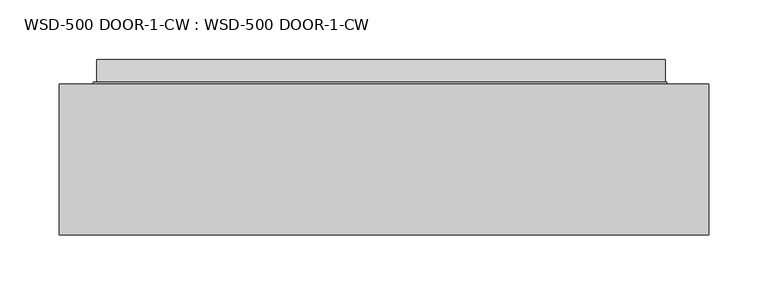
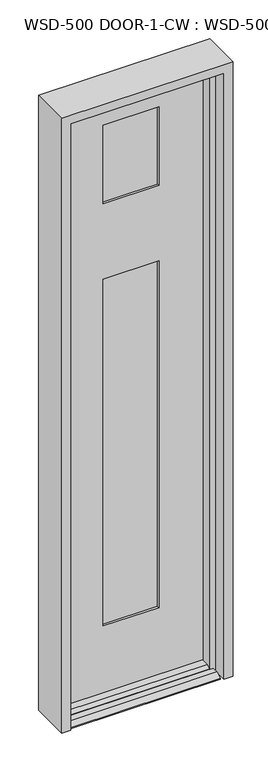
"""IFC4 building model written with IfcOpenShell, lengths in millimetres: plate geometry, WSD-500 DOOR-1-CW : WSD-500 DOOR-1-CW."""

from ifc_helpers import new_model, si_unit, frame, origin, place, context, project, spatial, polyline, outline, extrude, faceted_brep, source, transform, mapped, element, save


def wsd_500_door_1_cw_wsd_500_door_1_cw_fc38fa90(model_context):
    return source(origin(), model_context, "Body", "SolidModel", [
        faceted_brep([(236.6563901, 1.8752528, 0.0), (238.0603327, 1.8752528, 0.0), (236.6563901, -20.6651106, 0.0), (236.6563901, -121.9497472, 0.0), (-241.7064, -121.9497472, 0.0), (-241.7064, -42.5747472, 0.0), (-244.475, 1.8752528, 0.0), (-241.7064, 1.8752528, 0.0), (-241.7064, 20.9252528, 0.0), (236.6563901, 20.9252528, 0.0), (236.6563901, -35.1325472, 226.2251), (236.6563901, -35.1325472, 246.0625), (236.6563901, -42.5747472, 246.0625), (236.6563901, -42.5747472, 21.4376), (236.6563901, -68.4446472, 21.4376), (236.6563901, -80.8652472, 14.2748), (236.6563901, -80.8652472, 12.7), (236.6563901, -102.8997472, 12.7), (236.6563901, -121.9497472, 3.175), (236.6563901, -20.6651106, 226.2251), (236.6563901, 20.9252528, 3.175), (236.6563901, 1.8752528, 12.7), (-241.7064, 1.8752528, 12.7), (-241.7064, 20.9252528, 3.175), (-241.7064, -121.9497472, 3.175), (-241.7064, -102.8997472, 12.7), (-241.7064, -80.8652472, 12.7), (-241.7064, -80.8652472, 14.2748), (-241.7064, -68.4446472, 21.4376), (-241.7064, -42.5747472, 21.4376), (238.0603327, 1.8752528, 2034.2980546), (-244.475, 1.8752528, 2034.2980546), (-92.075, 1.8752528, 1413.65605), (-92.075, 1.8752528, 246.0625), (85.6603327, 1.8752528, 246.0625), (85.6603327, 1.8752528, 1413.65605), (85.6603327, 1.8752528, 1932.6980546), (-92.075, 1.8752528, 1932.6980546), (-92.075, 1.8752528, 1667.65605), (85.6603327, 1.8752528, 1667.65605), (85.6603327, -9.7325472, 1932.6980546), (-92.075, -9.7325472, 1932.6980546), (105.4977327, -9.7325472, 1433.50615), (-111.9124, -9.7325472, 1433.50615), (-111.9124, -9.7325472, 226.2251), (105.4977327, -9.7325472, 226.2251), (-92.075, -9.7325472, 1413.65605), (85.6603327, -9.7325472, 1413.65605), (85.6603327, -9.7325472, 246.0625), (-92.075, -9.7325472, 246.0625), (105.4977327, -9.7325472, 1952.61865), (-111.9124, -9.7325472, 1952.61865), (-111.9124, -9.7325472, 1647.81865), (105.4977327, -9.7325472, 1647.81865), (85.6603327, -9.7325472, 1667.65605), (-92.075, -9.7325472, 1667.65605), (105.4977327, -35.1325472, 1952.61865), (-111.9124, -35.1325472, 1952.61865), (235.7552755, -35.1325472, 226.2251), (235.7552755, -35.1325472, 246.0625), (105.4977327, -35.1325472, 1647.81865), (-111.9124, -35.1325472, 1647.81865), (85.6603327, -35.1325472, 1932.6980546), (-92.075, -35.1325472, 1932.6980546), (-92.075, -35.1325472, 1667.65605), (85.6603327, -35.1325472, 1667.65605), (-111.9124, -35.1325472, 1433.50615), (105.4977327, -35.1325472, 1433.50615), (105.4977327, -35.1325472, 226.2251), (-111.9124, -35.1325472, 226.2251), (85.6603327, -35.1325472, 1413.65605), (-92.075, -35.1325472, 1413.65605), (-92.075, -35.1325472, 246.0625), (85.6603327, -35.1325472, 246.0625), (85.6603327, -42.5747472, 1932.6980546), (-92.075, -42.5747472, 1932.6980546), (235.2917327, -42.5747472, 2034.2980546), (-241.7064, -42.5747472, 2034.2980546), (235.2917327, -42.5747472, 246.0625), (85.6603327, -42.5747472, 1667.65605), (-92.075, -42.5747472, 1667.65605), (85.6603327, -42.5747472, 1413.65605), (85.6603327, -42.5747472, 246.0625), (-92.075, -42.5747472, 246.0625), (-92.075, -42.5747472, 1413.65605)], [[[0, 1, 2, 3, 4, 5, 6, 7, 8, 9]], [[10, 11, 12, 13, 14, 15, 16, 17, 18, 3, 2, 19]], [[9, 20, 21, 0]], [[22, 23, 8, 7]], [[4, 24, 25, 26, 27, 28, 29, 5]], [[30, 1, 0, 21, 22, 7, 6, 31], [32, 33, 34, 35], [36, 37, 38, 39]], [[36, 40, 41, 37]], [[42, 43, 44, 45], [46, 47, 48, 49]], [[50, 51, 52, 53], [41, 40, 54, 55]], [[50, 56, 57, 51]], [[11, 10, 58, 59]], [[57, 56, 60, 61], [62, 63, 64, 65]], [[66, 67, 68, 69], [70, 71, 72, 73]], [[62, 74, 75, 63]], [[76, 77, 29, 13, 12, 78], [75, 74, 79, 80], [81, 82, 83, 84]], [[76, 30, 31, 77]], [[56, 50, 53, 60]], [[68, 67, 42, 45]], [[74, 62, 65, 79]], [[81, 70, 73, 82]], [[30, 76, 78, 59, 58, 19, 2, 1]], [[40, 36, 39, 54]], [[47, 35, 34, 48]], [[29, 77, 31, 6, 5]], [[63, 75, 80, 64]], [[71, 84, 83, 72]], [[44, 43, 66, 69]], [[51, 57, 61, 52]], [[37, 41, 55, 38]], [[32, 46, 49, 33]], [[39, 38, 55, 54]], [[60, 53, 52, 61]], [[65, 64, 80, 79]], [[71, 70, 81, 84]], [[42, 67, 66, 43]], [[32, 35, 47, 46]], [[10, 19, 58]], [[69, 68, 45, 44]], [[12, 11, 59, 78]], [[73, 72, 83, 82]], [[14, 13, 29, 28]], [[15, 14, 28, 27]], [[16, 15, 27, 26]], [[17, 16, 26, 25]], [[18, 17, 25, 24]], [[3, 18, 24, 4]], [[20, 9, 8, 23]], [[22, 21, 20, 23]], [[34, 33, 49, 48]]]),
        extrude(outline(polyline([(-110.0162802, -9.7325472), (104.8838756, -9.7325472), (104.8838756, -14.8125472), (-110.0162802, -14.8125472), (-110.0162802, -9.7325472)])), frame((0.0, 0.0, 1647.81865), z_axis=(0.0, 0.0, 1.0), x_axis=(1.0, 0.0, 0.0)), (0.0, 0.0, 1.0), 304.8),
        extrude(outline(polyline([(104.8838756, -24.2105472), (104.8838756, -29.2905472), (-110.0162802, -29.2905472), (-110.0162802, -24.2105472), (104.8838756, -24.2105472)])), frame((0.0, 0.0, 1647.81865), z_axis=(0.0, 0.0, 1.0), x_axis=(1.0, 0.0, 0.0)), (0.0, 0.0, 1.0), 304.8),
        extrude(outline(polyline([(-110.0162802, -30.0525472), (104.8838756, -30.0525472), (104.8838756, -35.1325472), (-110.0162802, -35.1325472), (-110.0162802, -30.0525472)])), frame((0.0, 0.0, 1647.81865), z_axis=(0.0, 0.0, 1.0), x_axis=(1.0, 0.0, 0.0)), (0.0, 0.0, 1.0), 304.8),
        extrude(outline(polyline([(-111.9124, -9.7325472), (105.4977327, -9.7325472), (105.4977327, -14.8125472), (-111.9124, -14.8125472), (-111.9124, -9.7325472)])), frame((0.0, 0.0, 226.21875), z_axis=(0.0, 0.0, 1.0), x_axis=(1.0, 0.0, 0.0)), (0.0, 0.0, 1.0), 1207.2874),
        extrude(outline(polyline([(105.4977327, -24.2105472), (105.4977327, -29.2905472), (-111.9124, -29.2905472), (-111.9124, -24.2105472), (105.4977327, -24.2105472)])), frame((0.0, 0.0, 226.21875), z_axis=(0.0, 0.0, 1.0), x_axis=(1.0, 0.0, 0.0)), (0.0, 0.0, 1.0), 1207.2874),
        extrude(outline(polyline([(-111.9124, -30.0525472), (105.4977327, -30.0525472), (105.4977327, -35.1325472), (-111.9124, -35.1325472), (-111.9124, -30.0525472)])), frame((0.0, 0.0, 226.21875), z_axis=(0.0, 0.0, 1.0), x_axis=(1.0, 0.0, 0.0)), (0.0, 0.0, 1.0), 1207.2874),
        faceted_brep([(225.425, -47.7876516, 0.0), (244.475, -47.7876516, 0.0), (244.475, 0.0, 0.0), (273.05, 0.0, 0.0), (273.05, -127.0, 0.0), (244.475, -127.0, 0.0), (244.475, -82.7126516, 0.0), (225.425, -82.7126516, 0.0), (273.05, -127.0, 2070.1), (273.05, 0.0, 2070.1), (-273.05, 0.0, 2070.1), (-273.05, -127.0, 2070.1), (225.425, -47.7876516, 2028.825), (244.475, -47.7876516, 2028.825), (244.475, -47.625, 2028.825), (244.475, -47.625, 2041.525), (244.475, 0.0, 2041.525), (-244.475, 0.0, 2041.525), (-244.475, 0.0, 0.0), (-273.05, 0.0, 0.0), (-273.05, -127.0, 0.0), (-244.475, -127.0, 0.0), (-244.475, -127.0, 2041.525), (244.475, -127.0, 2041.525), (244.475, -82.7126516, 2041.525), (225.425, -82.7126516, 2041.525), (225.425, -82.296, 2041.525), (225.425, -82.296, 2028.825), (-225.425, -47.7876516, 0.0), (-225.425, -82.7126516, 0.0), (-244.475, -82.7126516, 0.0), (-244.475, -47.7876516, 0.0), (-225.425, -47.7876516, 2028.825), (-225.425, -82.296, 2028.825), (-225.425, -82.296, 2041.525), (-225.425, -82.7126516, 2041.525), (-244.475, -82.7126516, 2041.525), (-244.475, -47.625, 2041.525), (-244.475, -47.625, 2028.825), (-244.475, -47.7876516, 2028.825)], [[[0, 1, 2, 3, 4, 5, 6, 7]], [[8, 9, 10, 11]], [[1, 0, 12, 13]], [[2, 1, 13, 14, 15, 16]], [[3, 2, 16, 17, 18, 19, 10, 9]], [[4, 3, 9, 8]], [[5, 4, 8, 11, 20, 21, 22, 23]], [[6, 5, 23, 24]], [[7, 6, 24, 25]], [[0, 7, 25, 26, 27, 12]], [[28, 29, 30, 21, 20, 19, 18, 31]], [[29, 28, 32, 33, 34, 35]], [[30, 29, 35, 36]], [[21, 30, 36, 22]], [[10, 19, 20, 11]], [[31, 18, 17, 37, 38, 39]], [[28, 31, 39, 32]], [[23, 22, 36, 35, 34, 26, 25, 24]], [[26, 34, 33, 27]], [[27, 33, 32, 39, 38, 14, 13, 12]], [[14, 38, 37, 15]], [[17, 16, 15, 37]]]),
    ])


if __name__ == "__main__":
    model = new_model("IFC4")
    model_context = context("Model", 3, world=origin())
    ifc_project = project(units=[si_unit("LENGTHUNIT", "METRE", prefix="MILLI")], contexts=[model_context])
    site = spatial("IfcSite", under=ifc_project)
    building = spatial("IfcBuilding", under=site)
    placement = place(None, origin())
    wsd_500_door_1_cw_wsd_500_door_1_cw_shape = wsd_500_door_1_cw_wsd_500_door_1_cw_fc38fa90(model_context)
    element("IfcPlate", 1, ObjectType="WSD-500 DOOR-1-CW : WSD-500 DOOR-1-CW", at=placement, inside=building, context=model_context, shape_type="MappedRepresentation", body=[
        mapped(wsd_500_door_1_cw_wsd_500_door_1_cw_shape, transform((0.0, 0.0, 0.0), x_axis=(1.0, 0.0, 0.0), y_axis=(0.0, 1.0, 0.0), z_axis=(0.0, 0.0, 1.0))),
    ])
    save(model, "model.ifc")
